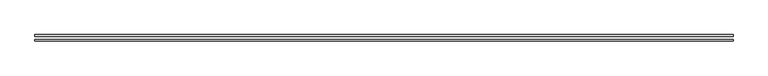
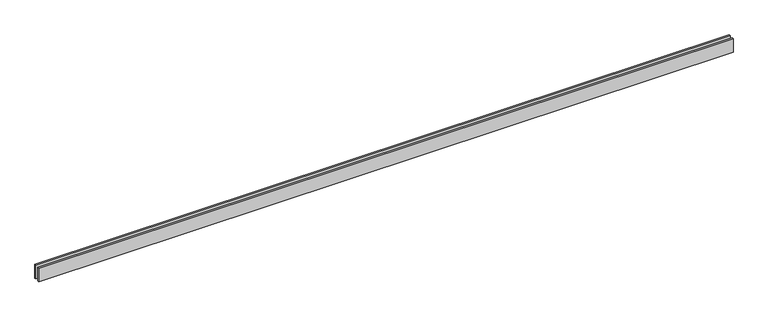
"""IFC4 building model written with IfcOpenShell, lengths in millimetres: proxy geometry."""

from ifc_helpers import new_model, si_unit, origin, origin_with_axes, place, context, project, spatial, polyline, outline, extrude, source, transform, mapped, element, save


def generic_models_863f4e6b(model_context):
    return source(origin(), model_context, "Body", "SweptSolid", [
        extrude(outline(polyline([(12080.0, -25.0), (12080.0, -55.0), (0.0, -55.0), (0.0, -25.0), (12080.0, -25.0)])), origin_with_axes(), (0.0, 0.0, 1.0), 250.0),
        extrude(outline(polyline([(12080.0, 55.0), (12080.0, 25.0), (0.0, 25.0), (0.0, 55.0), (12080.0, 55.0)])), origin_with_axes(), (0.0, 0.0, 1.0), 250.0),
    ])


if __name__ == "__main__":
    model = new_model("IFC4")
    model_context = context("Model", 3, world=origin())
    ifc_project = project(units=[si_unit("LENGTHUNIT", "METRE", prefix="MILLI")], contexts=[model_context])
    site = spatial("IfcSite", under=ifc_project)
    building = spatial("IfcBuilding", under=site)
    placement = place(None, origin())
    generic_models_shape = generic_models_863f4e6b(model_context)
    element("IfcBuildingElementProxy", 1, Name="Generic Models", at=placement, inside=building, context=model_context, shape_type="MappedRepresentation", body=[
        mapped(generic_models_shape, transform((0.0, 0.0, 0.0), x_axis=(1.0, 0.0, 0.0), y_axis=(0.0, 1.0, 0.0), z_axis=(0.0, 0.0, 1.0))),
    ])
    save(model, "model.ifc")
